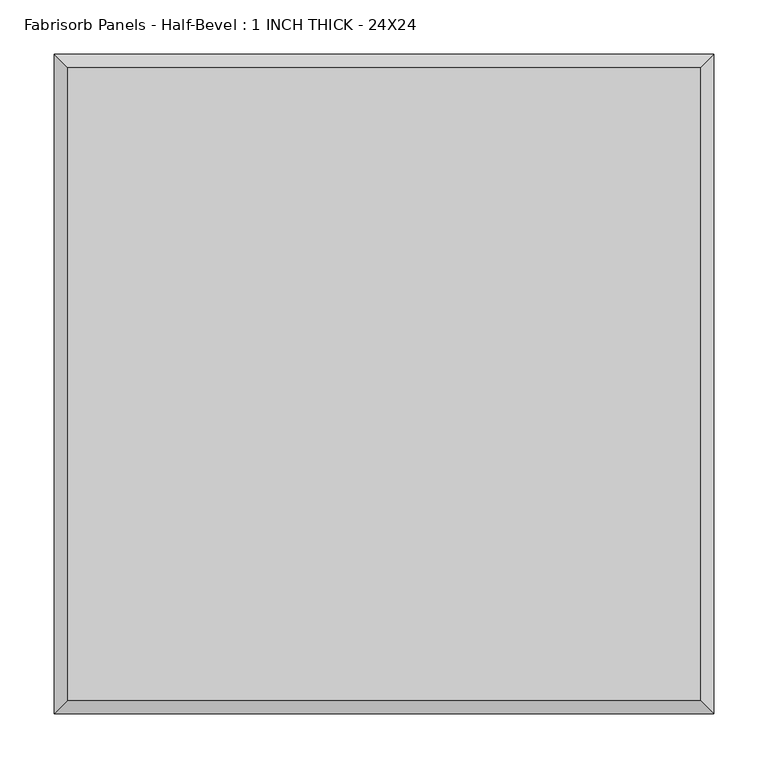
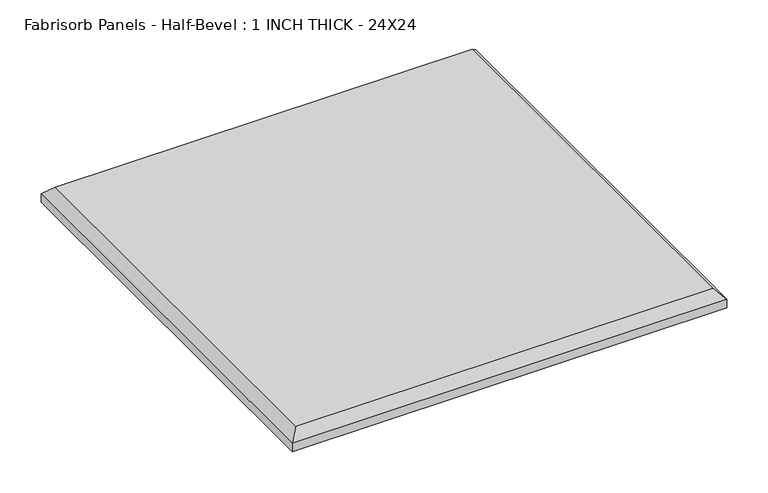
"""IFC4 building model written with IfcOpenShell, lengths in millimetres: proxy geometry, Fabrisorb Panels - Half-Bevel : 1 INCH THICK - 24X24."""

from ifc_helpers import new_model, si_unit, origin, place, context, project, spatial, faceted_brep, source, transform, mapped, element, save


def fabrisorb_panels_half_bevel_1_inch_thick_24x24_010a429e(model_context):
    return source(origin(), model_context, "Body", "Brep", [
        faceted_brep([(292.1, 292.1, 25.4), (-292.1, 292.1, 25.4), (-292.1, -292.1, 25.4), (292.1, -292.1, 25.4), (-304.8, 304.8, 0.0), (304.8, 304.8, 0.0), (304.8, -304.8, 0.0), (-304.8, -304.8, 0.0), (-304.8, -304.8, 12.7), (-304.8, 304.8, 12.7), (304.8, -304.8, 12.7), (304.8, 304.8, 12.7)], [[[0, 1, 2, 3]], [[4, 5, 6, 7]], [[4, 7, 8, 9]], [[7, 6, 10, 8]], [[6, 5, 11, 10]], [[5, 4, 9, 11]], [[9, 1, 0, 11]], [[1, 9, 8, 2]], [[2, 8, 10, 3]], [[11, 0, 3, 10]]]),
    ])


if __name__ == "__main__":
    model = new_model("IFC4")
    model_context = context("Model", 3, world=origin())
    ifc_project = project(units=[si_unit("LENGTHUNIT", "METRE", prefix="MILLI")], contexts=[model_context])
    site = spatial("IfcSite", under=ifc_project)
    building = spatial("IfcBuilding", under=site)
    placement = place(None, origin())
    fabrisorb_panels_half_bevel_1_inch_thick_24x24_shape = fabrisorb_panels_half_bevel_1_inch_thick_24x24_010a429e(model_context)
    element("IfcBuildingElementProxy", 1, Name="Fabrisorb Panels - Half-Bevel : 1 INCH THICK - 24X24", ObjectType="Fabrisorb Panels - Half-Bevel : 1 INCH THICK - 24X24", at=placement, inside=building, context=model_context, shape_type="MappedRepresentation", body=[
        mapped(fabrisorb_panels_half_bevel_1_inch_thick_24x24_shape, transform((0.0, 0.0, 0.0), x_axis=(1.0, 0.0, 0.0), y_axis=(0.0, 1.0, 0.0), z_axis=(0.0, 0.0, 1.0))),
    ])
    save(model, "model.ifc")
